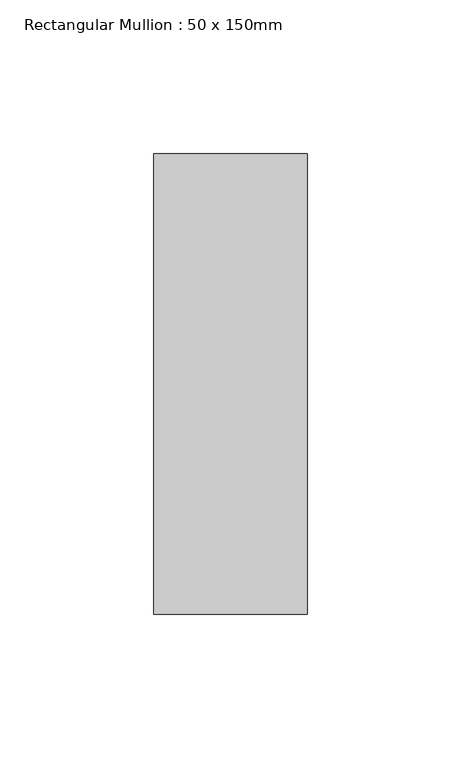
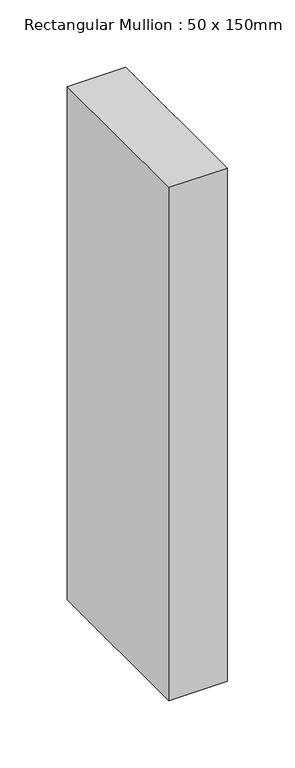
"""IFC4 building model written with IfcOpenShell, lengths in millimetres: member geometry, Rectangular Mullion : 50 x 150mm."""

from ifc_helpers import new_model, si_unit, frame, origin, place, context, project, spatial, polyline, outline, extrude, source, transform, mapped, element, save


def rectangular_mullion_50_x_150mm_d9afb61f(model_context):
    return source(origin(), model_context, "Body", "SweptSolid", [
        extrude(outline(polyline([(25.0, 75.0), (25.0, -75.0), (-25.0, -75.0), (-25.0, 75.0), (25.0, 75.0)])), frame((0.0, 0.0, -464.2515866), z_axis=(0.0, 0.0, 1.0), x_axis=(1.0, 0.0, 0.0)), (0.0, 0.0, 1.0), 464.2515866),
    ])


if __name__ == "__main__":
    model = new_model("IFC4")
    model_context = context("Model", 3, world=origin())
    ifc_project = project(units=[si_unit("LENGTHUNIT", "METRE", prefix="MILLI")], contexts=[model_context])
    site = spatial("IfcSite", under=ifc_project)
    building = spatial("IfcBuilding", under=site)
    placement = place(None, origin())
    rectangular_mullion_50_x_150mm_shape = rectangular_mullion_50_x_150mm_d9afb61f(model_context)
    element("IfcMember", 1, ObjectType="Rectangular Mullion : 50 x 150mm", at=placement, inside=building, context=model_context, shape_type="MappedRepresentation", body=[
        mapped(rectangular_mullion_50_x_150mm_shape, transform((0.0, 0.0, 0.0), x_axis=(1.0, 0.0, 0.0), y_axis=(0.0, 1.0, 0.0), z_axis=(0.0, 0.0, 1.0))),
    ])
    save(model, "model.ifc")
